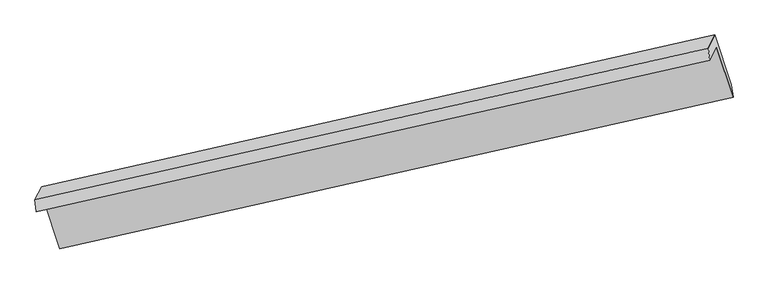
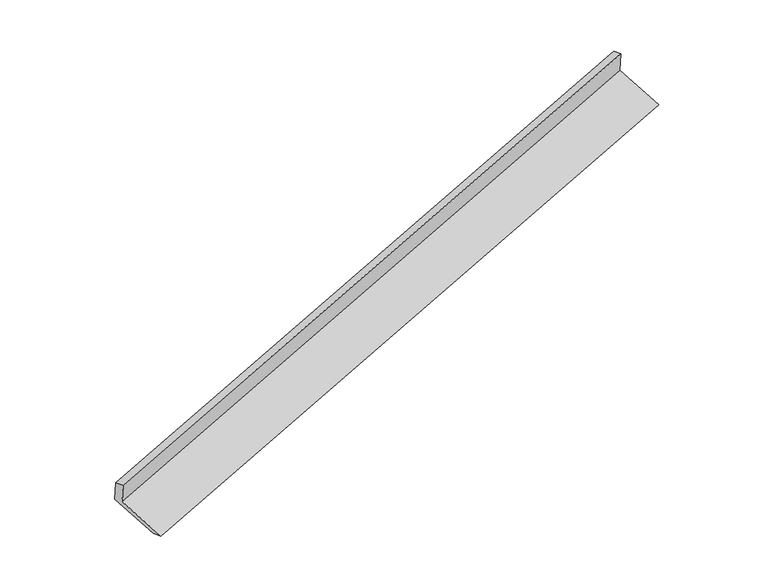
"""IFC4 building model written with IfcOpenShell, lengths in millimetres: proxy geometry."""

from ifc_helpers import new_model, si_unit, origin, place, context, project, spatial, faceted_brep, source, transform, mapped, element, save


def generic_models_5bdec618(model_context):
    return source(origin(), model_context, "Body", "Brep", [
        faceted_brep([(-7431.5044983, -2485.2493771, 924.3879866), (-7343.1833693, -2307.4460118, 513.1830685), (1554.2434871, -304.1002362, 3273.8092617), (1465.9223581, -481.9036015, 3685.0141798), (-7450.8512791, -2324.8157574, 873.1710156), (1446.5755774, -321.4699818, 3633.7972089), (-7363.6500649, -2149.2669448, 467.1801897), (1533.7767915, -145.9211692, 3227.806383), (-7146.4679849, -2804.7776087, 230.387702), (1750.9588716, -801.4318331, 2991.0138953), (-7122.7389539, -2972.8032322, 272.8336736), (1774.6879025, -969.4574565, 3033.4598668)], [[[0, 1, 2, 3]], [[4, 0, 3, 5]], [[6, 4, 5, 7]], [[8, 6, 7, 9]], [[10, 8, 9, 11]], [[1, 10, 11, 2]], [[9, 7, 5, 3, 2, 11]], [[1, 0, 4, 6, 8, 10]]]),
    ])


if __name__ == "__main__":
    model = new_model("IFC4")
    model_context = context("Model", 3, world=origin())
    ifc_project = project(units=[si_unit("LENGTHUNIT", "METRE", prefix="MILLI")], contexts=[model_context])
    site = spatial("IfcSite", under=ifc_project)
    building = spatial("IfcBuilding", under=site)
    placement = place(None, origin())
    generic_models_shape = generic_models_5bdec618(model_context)
    element("IfcBuildingElementProxy", 1, Name="Generic Models", at=placement, inside=building, context=model_context, shape_type="MappedRepresentation", body=[
        mapped(generic_models_shape, transform((0.0, 0.0, 0.0), x_axis=(1.0, 0.0, 0.0), y_axis=(0.0, 1.0, 0.0), z_axis=(0.0, 0.0, 1.0))),
    ])
    save(model, "model.ifc")
